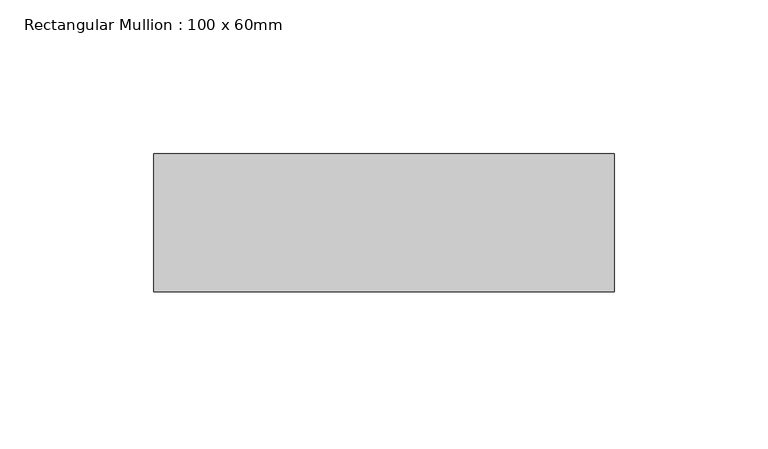
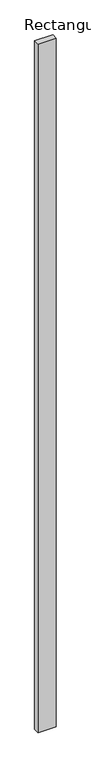
"""IFC4 building model written with IfcOpenShell, lengths in millimetres: member geometry, Rectangular Mullion : 100 x 60mm."""

from ifc_helpers import new_model, si_unit, frame, origin, place, context, project, spatial, polyline, outline, extrude, source, transform, mapped, element, save


def rectangular_mullion_100_x_60mm_5d9b6dee(model_context):
    return source(origin(), model_context, "Body", "SweptSolid", [
        extrude(outline(polyline([(-75.0, 30.0), (75.0, 30.0), (75.0, -15.0), (-75.0, -15.0), (-75.0, 30.0)])), frame((0.0, 0.0, -6000.0), z_axis=(0.0, 0.0, 1.0), x_axis=(1.0, 0.0, 0.0)), (0.0, 0.0, 1.0), 6000.0),
    ])


if __name__ == "__main__":
    model = new_model("IFC4")
    model_context = context("Model", 3, world=origin())
    ifc_project = project(units=[si_unit("LENGTHUNIT", "METRE", prefix="MILLI")], contexts=[model_context])
    site = spatial("IfcSite", under=ifc_project)
    building = spatial("IfcBuilding", under=site)
    placement = place(None, origin())
    rectangular_mullion_100_x_60mm_shape = rectangular_mullion_100_x_60mm_5d9b6dee(model_context)
    element("IfcMember", 1, ObjectType="Rectangular Mullion : 100 x 60mm", at=placement, inside=building, context=model_context, shape_type="MappedRepresentation", body=[
        mapped(rectangular_mullion_100_x_60mm_shape, transform((0.0, 0.0, 0.0), x_axis=(1.0, 0.0, 0.0), y_axis=(0.0, 1.0, 0.0), z_axis=(0.0, 0.0, 1.0))),
    ])
    save(model, "model.ifc")
